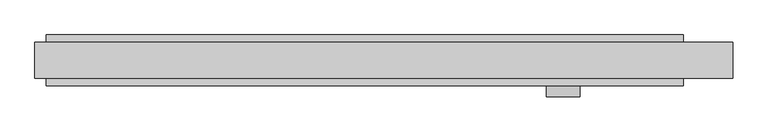
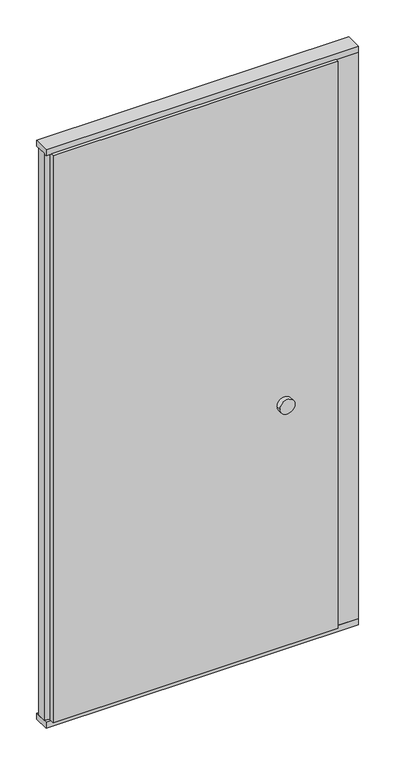
"""IFC4 building model written with IfcOpenShell, lengths in millimetres: plate geometry."""

from ifc_helpers import new_model, si_unit, point, frame, frame_2d, origin, origin_with_axes, place, context, project, spatial, polyline, circle_curve, trimmed, segment, composite_curve, outline, extrude, source, transform, mapped, element, save


def plate_5e514a72(model_context):
    return source(origin(), model_context, "Body", "SweptSolid", [
        extrude(outline(polyline([(532.0507813, 45.0), (532.0507813, 30.5), (620.0, 30.5), (620.0, -30.5), (532.0507813, -30.5), (532.0507813, -45.0), (-600.0, -45.0), (-600.0, -22.9993165), (-620.0, -17.6401049), (-620.0, 17.6401049), (-600.0, 22.9993165), (-600.0, 45.0), (532.0507813, 45.0)])), frame((0.0, 0.0, 25.0), z_axis=(0.0, 0.0, 1.0), x_axis=(1.0, 0.0, 0.0)), (0.0, 0.0, 1.0), 2377.0),
        extrude(outline(polyline([(-620.0, -32.0), (-620.0, 32.0), (620.0, 32.0), (620.0, -32.0), (-620.0, -32.0)])), origin_with_axes(), (0.0, 0.0, 1.0), 25.0),
        extrude(outline(polyline([(-620.0, -32.0), (-620.0, 32.0), (620.0, 32.0), (620.0, -32.0), (-620.0, -32.0)])), frame((0.0, 0.0, 2402.0), z_axis=(0.0, 0.0, 1.0), x_axis=(1.0, 0.0, 0.0)), (0.0, 0.0, 1.0), 25.0),
        extrude(outline(composite_curve([segment(trimmed(circle_curve(frame_2d((1040.0, 318.9738813)), 30.0), [point((1040.0, 348.9738813))], [point((1040.0, 288.9738813))], False, "CARTESIAN"), True, "CONTINUOUS"), segment(trimmed(circle_curve(frame_2d((1040.0, 318.9738813)), 30.0), [point((1040.0, 288.9738813))], [point((1040.0, 348.9738813))], False, "CARTESIAN"), True, "CONTINUOUS")], self_intersect=False)), frame((0.0, -65.0, 0.0), z_axis=(0.0, 1.0, 0.0), x_axis=(0.0, 0.0, 1.0)), (0.0, 0.0, 1.0), 20.0),
    ])


if __name__ == "__main__":
    model = new_model("IFC4")
    model_context = context("Model", 3, world=origin())
    ifc_project = project(units=[si_unit("LENGTHUNIT", "METRE", prefix="MILLI")], contexts=[model_context])
    site = spatial("IfcSite", under=ifc_project)
    building = spatial("IfcBuilding", under=site)
    placement = place(None, origin())
    plate_shape = plate_5e514a72(model_context)
    element("IfcPlate", 1, at=placement, inside=building, context=model_context, shape_type="MappedRepresentation", body=[
        mapped(plate_shape, transform((0.0, 0.0, 0.0), x_axis=(1.0, 0.0, 0.0), y_axis=(0.0, 1.0, 0.0), z_axis=(0.0, 0.0, 1.0))),
    ])
    save(model, "model.ifc")
